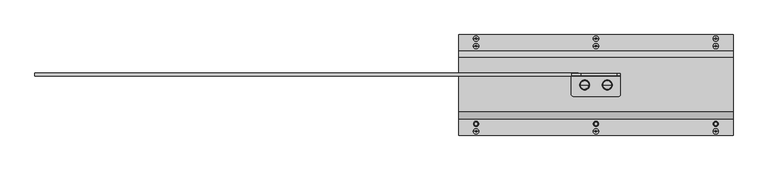
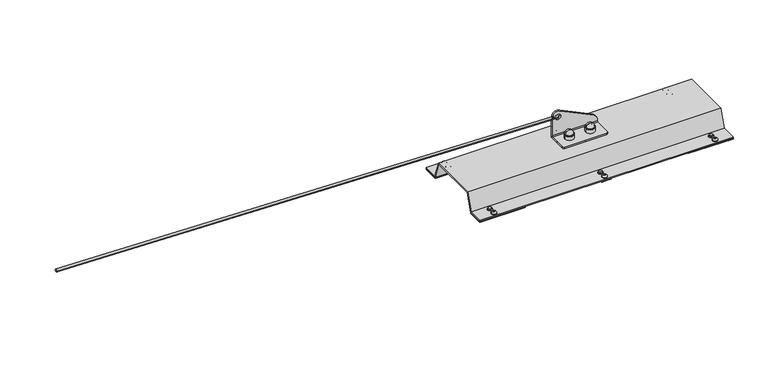
"""IFC4 building model written with IfcOpenShell, lengths in millimetres: proxy geometry."""

from ifc_helpers import new_model, si_unit, point, frame, origin, origin_with_axes, place, context, project, spatial, polyline, circle_curve, ellipse_curve, trimmed, outline, extrude, faceted_brep, source, transform, mapped, element, save
from ifc_brep_helpers import plane_surface, cylinder_surface, revolved_surface, extruded_surface, advanced_brep


def specialty_equipment_9974a4ad(model_context):
    return source(origin(), model_context, "Body", "SolidModel", [
        advanced_brep(
        [(1460.0, -27.5, 61.0), (1447.0, -27.5, 61.0), (1473.0, -27.5, 61.0), (1448.8711318, -27.5, 74.769106), (1460.0, -27.5, 84.5), (1471.1288682, -27.5, 74.769106), (1448.3951125, -27.5, 74.0453749), (1471.6048875, -27.5, 74.0453749), (1447.4849619, -27.5, 73.4985013), (1472.5150381, -27.5, 73.4985013), (1447.0, -27.5, 72.641334), (1473.0, -27.5, 72.641334)],
        [
            (0, 1),
            (1, 2, circle_curve(frame((1460.0, -27.5, 61.0), z_axis=(0.0, 0.0, -1.0), x_axis=(1.0, 0.0, 0.0)), 13.0)),
            (2, 0),
            (2, 1, circle_curve(frame((1460.0, -27.5, 61.0), z_axis=(0.0, 0.0, -1.0), x_axis=(1.0, 0.0, 0.0)), 13.0)),
            (3, 4, circle_curve(frame((1460.0, -27.5, 73.2707129), z_axis=(0.0, 1.0, 0.0), x_axis=(1.0, 0.0, 0.0)), 11.2292871)),
            (4, 5, circle_curve(frame((1460.0, -27.5, 73.2707129), z_axis=(0.0, 1.0, 0.0), x_axis=(-1.0, 0.0, 0.0)), 11.2292871)),
            (5, 3, circle_curve(frame((1460.0, -27.5, 74.769106), z_axis=(0.0, 0.0, 1.0), x_axis=(1.0, 0.0, 0.0)), 11.1288682)),
            (3, 5, circle_curve(frame((1460.0, -27.5, 74.769106), z_axis=(0.0, 0.0, 1.0), x_axis=(1.0, 0.0, 0.0)), 11.1288682)),
            (6, 3, circle_curve(frame((1447.8800744, -27.5, 74.9025422), z_axis=(0.0, -1.0, 0.0), x_axis=(1.0, 0.0, 0.0)), 1.0)),
            (5, 7, circle_curve(frame((1472.1199256, -27.5, 74.9025422), z_axis=(0.0, -1.0, 0.0), x_axis=(-1.0, 0.0, 0.0)), 1.0)),
            (7, 6, circle_curve(frame((1460.0, -27.5, 74.0453749), z_axis=(0.0, 0.0, 1.0), x_axis=(1.0, 0.0, 0.0)), 11.6048875)),
            (6, 7, circle_curve(frame((1460.0, -27.5, 74.0453749), z_axis=(0.0, 0.0, 1.0), x_axis=(1.0, 0.0, 0.0)), 11.6048875)),
            (8, 6),
            (7, 9),
            (9, 8, circle_curve(frame((1460.0, -27.5, 73.4985013), z_axis=(0.0, 0.0, 1.0), x_axis=(1.0, 0.0, 0.0)), 12.5150381)),
            (8, 9, circle_curve(frame((1460.0, -27.5, 73.4985013), z_axis=(0.0, 0.0, 1.0), x_axis=(1.0, 0.0, 0.0)), 12.5150381)),
            (10, 8, circle_curve(frame((1448.0, -27.5, 72.641334), z_axis=(0.0, 1.0, 0.0), x_axis=(1.0, 0.0, 0.0)), 1.0)),
            (9, 11, circle_curve(frame((1472.0, -27.5, 72.641334), z_axis=(0.0, 1.0, 0.0), x_axis=(-1.0, 0.0, 0.0)), 1.0)),
            (11, 10, circle_curve(frame((1460.0, -27.5, 72.641334), z_axis=(0.0, 0.0, 1.0), x_axis=(1.0, 0.0, 0.0)), 13.0)),
            (10, 11, circle_curve(frame((1460.0, -27.5, 72.641334), z_axis=(0.0, 0.0, 1.0), x_axis=(1.0, 0.0, 0.0)), 13.0)),
            (1, 10),
            (11, 2),
        ],
        [
            plane_surface(frame((1460.0, -27.5, 61.0), z_axis=(0.0, 0.0, -1.0), x_axis=(1.0, 0.0, 0.0))),
            revolved_surface(trimmed(ellipse_curve(frame((1460.0, -27.5, 73.2707129), z_axis=(0.0, 1.0, 0.0), x_axis=(-1.0, 0.0, 0.0)), 11.2292871, 11.2292871), [point((1460.0, -27.5, 84.5))], [point((1471.1288682, -27.5, 74.769106))], True, "CARTESIAN"), (1460.0, -27.5, 53.3736575), (0.0, 0.0, -1.0)),
            revolved_surface(trimmed(ellipse_curve(frame((1472.1199256, -27.5, 74.9025422), z_axis=(0.0, -1.0, 0.0), x_axis=(-1.0, 0.0, 0.0)), 1.0, 1.0), [point((1471.1288682, -27.5, 74.769106))], [point((1471.6048875, -27.5, 74.0453749))], True, "CARTESIAN"), (1460.0, -27.5, 53.3736575), (0.0, 0.0, -1.0)),
            revolved_surface(polyline([(1471.6048875, -27.5, 74.0453749), (1472.5150381, -27.5, 73.4985013)]), (1460.0, -27.5, 53.3736575), (0.0, 0.0, -1.0)),
            revolved_surface(trimmed(ellipse_curve(frame((1472.0, -27.5, 72.641334), z_axis=(0.0, 1.0, 0.0), x_axis=(-1.0, 0.0, 0.0)), 1.0, 1.0), [point((1472.5150381, -27.5, 73.4985013))], [point((1473.0, -27.5, 72.641334))], True, "CARTESIAN"), (1460.0, -27.5, 53.3736575), (0.0, 0.0, -1.0)),
            cylinder_surface(frame((1460.0, -27.5, 53.3736575), z_axis=(0.0, 0.0, -1.0), x_axis=(1.0, 0.0, 0.0)), 13.0),
        ],
        [
            (0, [[1, 2, 3]]),
            (0, [[-3, 4, -1]]),
            (1, [[5, 6, 7]]),
            (1, [[-6, -5, 8]]),
            (2, [[9, -7, 10, 11]]),
            (2, [[-10, -8, -9, 12]]),
            (3, [[13, -11, 14, 15]]),
            (3, [[-14, -12, -13, 16]]),
            (4, [[17, -15, 18, 19]]),
            (4, [[-18, -16, -17, 20]]),
            (5, [[21, -19, 22, -2]]),
            (5, [[-22, -20, -21, -4]]),
        ],
    ),
        advanced_brep(
        [(1520.0, -27.5, 61.0), (1507.0, -27.5, 61.0), (1533.0, -27.5, 61.0), (1508.8711318, -27.5, 74.769106), (1520.0, -27.5, 84.5), (1531.1288682, -27.5, 74.769106), (1508.3951125, -27.5, 74.0453749), (1531.6048875, -27.5, 74.0453749), (1507.4849619, -27.5, 73.4985013), (1532.5150381, -27.5, 73.4985013), (1507.0, -27.5, 72.641334), (1533.0, -27.5, 72.641334)],
        [
            (0, 1),
            (1, 2, circle_curve(frame((1520.0, -27.5, 61.0), z_axis=(0.0, 0.0, -1.0), x_axis=(1.0, 0.0, 0.0)), 13.0)),
            (2, 0),
            (2, 1, circle_curve(frame((1520.0, -27.5, 61.0), z_axis=(0.0, 0.0, -1.0), x_axis=(1.0, 0.0, 0.0)), 13.0)),
            (3, 4, circle_curve(frame((1520.0, -27.5, 73.2707129), z_axis=(0.0, 1.0, 0.0), x_axis=(1.0, 0.0, 0.0)), 11.2292871)),
            (4, 5, circle_curve(frame((1520.0, -27.5, 73.2707129), z_axis=(0.0, 1.0, 0.0), x_axis=(-1.0, 0.0, 0.0)), 11.2292871)),
            (5, 3, circle_curve(frame((1520.0, -27.5, 74.769106), z_axis=(0.0, 0.0, 1.0), x_axis=(1.0, 0.0, 0.0)), 11.1288682)),
            (3, 5, circle_curve(frame((1520.0, -27.5, 74.769106), z_axis=(0.0, 0.0, 1.0), x_axis=(1.0, 0.0, 0.0)), 11.1288682)),
            (6, 3, circle_curve(frame((1507.8800744, -27.5, 74.9025422), z_axis=(0.0, -1.0, 0.0), x_axis=(1.0, 0.0, 0.0)), 1.0)),
            (5, 7, circle_curve(frame((1532.1199256, -27.5, 74.9025422), z_axis=(0.0, -1.0, 0.0), x_axis=(-1.0, 0.0, 0.0)), 1.0)),
            (7, 6, circle_curve(frame((1520.0, -27.5, 74.0453749), z_axis=(0.0, 0.0, 1.0), x_axis=(1.0, 0.0, 0.0)), 11.6048875)),
            (6, 7, circle_curve(frame((1520.0, -27.5, 74.0453749), z_axis=(0.0, 0.0, 1.0), x_axis=(1.0, 0.0, 0.0)), 11.6048875)),
            (8, 6),
            (7, 9),
            (9, 8, circle_curve(frame((1520.0, -27.5, 73.4985013), z_axis=(0.0, 0.0, 1.0), x_axis=(1.0, 0.0, 0.0)), 12.5150381)),
            (8, 9, circle_curve(frame((1520.0, -27.5, 73.4985013), z_axis=(0.0, 0.0, 1.0), x_axis=(1.0, 0.0, 0.0)), 12.5150381)),
            (10, 8, circle_curve(frame((1508.0, -27.5, 72.641334), z_axis=(0.0, 1.0, 0.0), x_axis=(1.0, 0.0, 0.0)), 1.0)),
            (9, 11, circle_curve(frame((1532.0, -27.5, 72.641334), z_axis=(0.0, 1.0, 0.0), x_axis=(-1.0, 0.0, 0.0)), 1.0)),
            (11, 10, circle_curve(frame((1520.0, -27.5, 72.641334), z_axis=(0.0, 0.0, 1.0), x_axis=(1.0, 0.0, 0.0)), 13.0)),
            (10, 11, circle_curve(frame((1520.0, -27.5, 72.641334), z_axis=(0.0, 0.0, 1.0), x_axis=(1.0, 0.0, 0.0)), 13.0)),
            (1, 10),
            (11, 2),
        ],
        [
            plane_surface(frame((1520.0, -27.5, 61.0), z_axis=(0.0, 0.0, -1.0), x_axis=(1.0, 0.0, 0.0))),
            revolved_surface(trimmed(ellipse_curve(frame((1520.0, -27.5, 73.2707129), z_axis=(0.0, 1.0, 0.0), x_axis=(-1.0, 0.0, 0.0)), 11.2292871, 11.2292871), [point((1520.0, -27.5, 84.5))], [point((1531.1288682, -27.5, 74.769106))], True, "CARTESIAN"), (1520.0, -27.5, 53.3736575), (0.0, 0.0, -1.0)),
            revolved_surface(trimmed(ellipse_curve(frame((1532.1199256, -27.5, 74.9025422), z_axis=(0.0, -1.0, 0.0), x_axis=(-1.0, 0.0, 0.0)), 1.0, 1.0), [point((1531.1288682, -27.5, 74.769106))], [point((1531.6048875, -27.5, 74.0453749))], True, "CARTESIAN"), (1520.0, -27.5, 53.3736575), (0.0, 0.0, -1.0)),
            revolved_surface(polyline([(1531.6048875, -27.5, 74.0453749), (1532.5150381, -27.5, 73.4985013)]), (1520.0, -27.5, 53.3736575), (0.0, 0.0, -1.0)),
            revolved_surface(trimmed(ellipse_curve(frame((1532.0, -27.5, 72.641334), z_axis=(0.0, 1.0, 0.0), x_axis=(-1.0, 0.0, 0.0)), 1.0, 1.0), [point((1532.5150381, -27.5, 73.4985013))], [point((1533.0, -27.5, 72.641334))], True, "CARTESIAN"), (1520.0, -27.5, 53.3736575), (0.0, 0.0, -1.0)),
            cylinder_surface(frame((1520.0, -27.5, 53.3736575), z_axis=(0.0, 0.0, -1.0), x_axis=(1.0, 0.0, 0.0)), 13.0),
        ],
        [
            (0, [[1, 2, 3]]),
            (0, [[-3, 4, -1]]),
            (1, [[5, 6, 7]]),
            (1, [[-6, -5, 8]]),
            (2, [[9, -7, 10, 11]]),
            (2, [[-10, -8, -9, 12]]),
            (3, [[13, -11, 14, 15]]),
            (3, [[-14, -12, -13, 16]]),
            (4, [[17, -15, 18, 19]]),
            (4, [[-18, -16, -17, 20]]),
            (5, [[21, -19, 22, -2]]),
            (5, [[-22, -20, -21, -4]]),
        ],
    ),
        advanced_brep(
        [(1425.0, -2.5, 114.5), (1425.0, -2.5, 64.0), (1555.0, -2.5, 64.0), (1555.0, -2.5, 68.1654041), (1545.1714951, -2.5, 83.8942999), (1450.1714951, -2.5, 130.2288958), (1435.0, -2.5, 114.5), (1450.0, -2.5, 114.5), (1555.0, 2.5, 68.1654041), (1555.0, 2.5, 64.0), (1425.0, 2.5, 64.0), (1425.0, 2.5, 114.5), (1450.1714951, 2.5, 130.2288958), (1545.1714951, 2.5, 83.8942999), (1435.0, 2.5, 114.5), (1450.0, 2.5, 114.5), (1555.0, -27.5, 61.0), (1555.0, -5.5, 61.0), (1425.0, -5.5, 61.0), (1425.0, -27.5, 61.0), (1425.0, -52.5, 61.0), (1430.0, -57.5, 61.0), (1490.0, -57.5, 61.0), (1550.0, -57.5, 61.0), (1555.0, -52.5, 61.0), (1425.0, -27.5, 56.0), (1425.0, -5.5, 56.0), (1555.0, -5.5, 56.0), (1555.0, -27.5, 56.0), (1555.0, -52.5, 56.0), (1550.0, -57.5, 56.0), (1490.0, -57.5, 56.0), (1430.0, -57.5, 56.0), (1425.0, -52.5, 56.0)],
        [
            (0, 1),
            (1, 2),
            (2, 3),
            (3, 4, circle_curve(frame((1537.5, -2.5, 68.1654041), z_axis=(0.0, -1.0, 0.0), x_axis=(1.0, 0.0, 0.0)), 17.5)),
            (4, 5),
            (5, 0, circle_curve(frame((1442.5, -2.5, 114.5), z_axis=(0.0, -1.0, 0.0), x_axis=(1.0, 0.0, 0.0)), 17.5)),
            (6, 7, circle_curve(frame((1442.5, -2.5, 114.5), z_axis=(0.0, 1.0, 0.0), x_axis=(1.0, 0.0, 0.0)), 7.5)),
            (7, 6, circle_curve(frame((1442.5, -2.5, 114.5), z_axis=(0.0, 1.0, 0.0), x_axis=(1.0, 0.0, 0.0)), 7.5)),
            (8, 9),
            (9, 10),
            (10, 11),
            (11, 12, circle_curve(frame((1442.5, 2.5, 114.5), z_axis=(0.0, 1.0, 0.0), x_axis=(1.0, 0.0, 0.0)), 17.5)),
            (12, 13),
            (13, 8, circle_curve(frame((1537.5, 2.5, 68.1654041), z_axis=(0.0, 1.0, 0.0), x_axis=(1.0, 0.0, 0.0)), 17.5)),
            (14, 15, circle_curve(frame((1442.5, 2.5, 114.5), z_axis=(0.0, -1.0, 0.0), x_axis=(1.0, 0.0, 0.0)), 7.5)),
            (15, 14, circle_curve(frame((1442.5, 2.5, 114.5), z_axis=(0.0, -1.0, 0.0), x_axis=(1.0, 0.0, 0.0)), 7.5)),
            (16, 17),
            (17, 18),
            (18, 19),
            (19, 20),
            (20, 21, circle_curve(frame((1430.0, -52.5, 61.0), z_axis=(0.0, 0.0, 1.0), x_axis=(0.0, 1.0, 0.0)), 5.0)),
            (21, 22),
            (22, 23),
            (23, 24, circle_curve(frame((1550.0, -52.5, 61.0), z_axis=(0.0, 0.0, 1.0), x_axis=(0.0, 1.0, 0.0)), 5.0)),
            (24, 16),
            (25, 26),
            (26, 27),
            (27, 28),
            (28, 29),
            (29, 30, circle_curve(frame((1550.0, -52.5, 56.0), z_axis=(0.0, 0.0, -1.0), x_axis=(0.0, 1.0, 0.0)), 5.0)),
            (30, 31),
            (31, 32),
            (32, 33, circle_curve(frame((1430.0, -52.5, 56.0), z_axis=(0.0, 0.0, -1.0), x_axis=(0.0, 1.0, 0.0)), 5.0)),
            (33, 25),
            (24, 29),
            (28, 16),
            (23, 30),
            (22, 31),
            (21, 32),
            (20, 33),
            (19, 25),
            (1, 18, circle_curve(frame((1425.0, -5.5, 64.0), z_axis=(-1.0, 0.0, 0.0), x_axis=(0.0, 1.0, 0.0)), 3.0)),
            (17, 2, circle_curve(frame((1555.0, -5.5, 64.0), z_axis=(1.0, 0.0, 0.0), x_axis=(0.0, 1.0, 0.0)), 3.0)),
            (10, 26, circle_curve(frame((1425.0, -5.5, 64.0), z_axis=(-1.0, 0.0, 0.0), x_axis=(0.0, 1.0, 0.0)), 8.0)),
            (0, 11),
            (5, 12),
            (4, 13),
            (3, 8),
            (27, 9, circle_curve(frame((1555.0, -5.5, 64.0), z_axis=(1.0, 0.0, 0.0), x_axis=(0.0, 1.0, 0.0)), 8.0)),
            (7, 15),
            (14, 6),
        ],
        [
            plane_surface(frame((1425.0, -2.5, 61.0), z_axis=(0.0, -1.0, 0.0), x_axis=(0.0, 0.0, 1.0))),
            plane_surface(frame((1425.0, 2.5, 61.0), z_axis=(0.0, 1.0, 0.0), x_axis=(0.0, 0.0, -1.0))),
            plane_surface(frame((1555.0, 2.5, 61.0), z_axis=(0.0, 0.0, 1.0), x_axis=(0.0, -1.0, 0.0))),
            plane_surface(frame((1555.0, 2.5, 56.0), z_axis=(0.0, 0.0, -1.0), x_axis=(0.0, 1.0, 0.0))),
            plane_surface(frame((1555.0, -27.5, 61.0), z_axis=(1.0, 0.0, 0.0), x_axis=(0.0, 0.0, -1.0))),
            cylinder_surface(frame((1550.0, -52.5, 56.0), z_axis=(0.0, 0.0, 1.0), x_axis=(0.0, 1.0, 0.0)), 5.0),
            plane_surface(frame((1550.0, -57.5, 61.0), z_axis=(0.0, -1.0, 0.0), x_axis=(0.0, 0.0, -1.0))),
            plane_surface(frame((1490.0, -57.5, 61.0), z_axis=(0.0, -1.0, 0.0), x_axis=(0.0, 0.0, -1.0))),
            cylinder_surface(frame((1430.0, -52.5, 56.0), z_axis=(0.0, 0.0, 1.0), x_axis=(0.0, 1.0, 0.0)), 5.0),
            plane_surface(frame((1425.0, -52.5, 61.0), z_axis=(-1.0, 0.0, 0.0), x_axis=(0.0, 0.0, -1.0))),
            revolved_surface(polyline([(1555.0, -2.5, 64.0), (1425.0, -2.5, 64.0)]), (1555.0, -5.5, 64.0), (1.0, 0.0, 0.0)),
            plane_surface(frame((1425.0, -2.5, 61.0), z_axis=(-1.0, 0.0, 0.0), x_axis=(0.0, 1.0, 0.0))),
            cylinder_surface(frame((1442.5, 2.5, 114.5), z_axis=(0.0, -1.0, 0.0), x_axis=(1.0, 0.0, 0.0)), 17.5),
            plane_surface(frame((1450.1714951, -2.5, 130.2288958), z_axis=(0.43837114678908046, 0.0, 0.8987940462991656), x_axis=(0.0, 1.0, 0.0))),
            cylinder_surface(frame((1537.5, 2.5, 68.1654041), z_axis=(0.0, -1.0, 0.0), x_axis=(1.0, 0.0, 0.0)), 17.5),
            plane_surface(frame((1555.0, -2.5, 68.1654041), z_axis=(1.0, 0.0, 0.0), x_axis=(0.0, 1.0, 0.0))),
            cylinder_surface(frame((1555.0, -5.5, 64.0), z_axis=(1.0, 0.0, 0.0), x_axis=(0.0, 1.0, 0.0)), 8.0),
            revolved_surface(polyline([(1450.0, 2.5, 114.5), (1450.0, -2.5, 114.5)]), (1442.5, 106.0, 114.5), (0.0, 1.0, 0.0)),
        ],
        [
            (0, [[1, 2, 3, 4, 5, 6], [7, 8]]),
            (1, [[9, 10, 11, 12, 13, 14], [15, 16]]),
            (2, [[17, 18, 19, 20, 21, 22, 23, 24, 25]]),
            (3, [[26, 27, 28, 29, 30, 31, 32, 33, 34]]),
            (4, [[35, -29, 36, -25]]),
            (5, [[37, -30, -35, -24]]),
            (6, [[38, -31, -37, -23]]),
            (7, [[39, -32, -38, -22]]),
            (8, [[40, -33, -39, -21]]),
            (9, [[41, -34, -40, -20]]),
            (10, [[-2, 42, -18, 43]]),
            (11, [[-11, 44, -26, -41, -19, -42, -1, 45]]),
            (12, [[46, -12, -45, -6]]),
            (13, [[47, -13, -46, -5]]),
            (14, [[48, -14, -47, -4]]),
            (15, [[-3, -43, -17, -36, -28, 49, -9, -48]]),
            (16, [[-49, -27, -44, -10]]),
            (17, [[50, -15, 51, -8]]),
            (17, [[-51, -16, -50, -7]]),
        ],
    ),
        extrude(outline(polyline([(61.0, 3.0), (42.7695663, 53.0877048), (-97.7695663, 53.0877048), (-116.0, 3.0), (-161.0, 3.0), (-161.0, 6.0), (-118.1006226, 6.0), (-99.870189, 56.0877048), (44.870189, 56.0877048), (63.1006226, 6.0), (106.0, 6.0), (106.0, 3.0), (61.0, 3.0)])), frame((1126.0, 0.0, 0.0), z_axis=(1.0, 0.0, 0.0), x_axis=(0.0, 1.0, 0.0)), (0.0, 0.0, 1.0), 728.0),
        extrude(outline(polyline([(1724.0, 106.0), (1854.0, 106.0), (1854.0, 61.0), (1724.0, 61.0), (1724.0, 106.0)])), origin_with_axes(), (0.0, 0.0, 1.0), 3.0),
        extrude(outline(polyline([(1256.0, 106.0), (1256.0, 61.0), (1126.0, 61.0), (1126.0, 106.0), (1256.0, 106.0)])), origin_with_axes(), (0.0, 0.0, 1.0), 3.0),
        extrude(outline(polyline([(1724.0, -161.0), (1724.0, -116.0), (1854.0, -116.0), (1854.0, -161.0), (1724.0, -161.0)])), origin_with_axes(), (0.0, 0.0, 1.0), 3.0),
        extrude(outline(polyline([(1256.0, -161.0), (1126.0, -161.0), (1126.0, -116.0), (1256.0, -116.0), (1256.0, -161.0)])), origin_with_axes(), (0.0, 0.0, 1.0), 3.0),
        extrude(outline(polyline([(1490.0, 106.0), (1504.1113894, 106.0), (1504.1113894, 61.0), (1490.0, 61.0), (1475.8886106, 61.0), (1475.8886106, 106.0), (1490.0, 106.0)])), origin_with_axes(), (0.0, 0.0, 1.0), 3.0),
        extrude(outline(polyline([(1490.0, -161.0), (1475.8886106, -161.0), (1475.8886106, -116.0), (1490.0, -116.0), (1504.1113894, -116.0), (1504.1113894, -161.0), (1490.0, -161.0)])), origin_with_axes(), (0.0, 0.0, 1.0), 3.0),
        faceted_brep([(1803.4048805, -131.0, 11.0), (1805.7024402, -134.9794903, 11.0), (1810.2975598, -134.9794903, 11.0), (1812.5951195, -131.0, 11.0), (1810.2975598, -127.0205097, 11.0), (1805.7024402, -127.0205097, 11.0), (1803.4048805, -131.0, 7.5), (1805.7024402, -127.0205097, 7.5), (1810.2975598, -127.0205097, 7.5), (1812.5951195, -131.0, 7.5), (1810.2975598, -134.9794903, 7.5), (1805.7024402, -134.9794903, 7.5)], [[[0, 1, 2, 3, 4, 5]], [[6, 7, 8, 9, 10, 11]], [[5, 7, 6, 0]], [[4, 8, 7, 5]], [[3, 9, 8, 4]], [[2, 10, 9, 3]], [[1, 11, 10, 2]], [[0, 6, 11, 1]]]),
        advanced_brep(
        [(1485.4048805, -131.0, 11.0), (1487.7024402, -134.9794903, 11.0), (1492.2975598, -134.9794903, 11.0), (1494.5951195, -131.0, 11.0), (1492.2975598, -127.0205097, 11.0), (1487.7024402, -127.0205097, 11.0), (1487.7024402, -127.0205097, 7.5), (1485.4048805, -131.0, 7.5), (1492.2975598, -127.0205097, 7.5), (1494.5951195, -131.0, 7.5), (1492.2975598, -134.9794903, 7.5), (1487.7024402, -134.9794903, 7.5), (1482.7154193, -131.0, 6.0), (1490.0, -131.0, 6.0), (1497.2845807, -131.0, 6.0), (1495.7845807, -131.0, 7.5), (1484.2154193, -131.0, 7.5)],
        [
            (0, 1),
            (1, 2),
            (2, 3),
            (3, 4),
            (4, 5),
            (5, 0),
            (5, 6),
            (6, 7),
            (7, 0),
            (4, 8),
            (8, 6),
            (3, 9),
            (9, 8),
            (2, 10),
            (10, 9),
            (1, 11),
            (11, 10),
            (7, 11),
            (12, 13),
            (13, 14),
            (14, 12, circle_curve(frame((1490.0, -131.0, 6.0), z_axis=(0.0, 0.0, -1.0), x_axis=(1.0, 0.0, 0.0)), 7.2845807)),
            (12, 14, circle_curve(frame((1490.0, -131.0, 6.0), z_axis=(0.0, 0.0, -1.0), x_axis=(1.0, 0.0, 0.0)), 7.2845807)),
            (15, 9),
            (7, 16),
            (16, 15, circle_curve(frame((1490.0, -131.0, 7.5), z_axis=(0.0, 0.0, 1.0), x_axis=(1.0, 0.0, 0.0)), 5.7845807)),
            (15, 16, circle_curve(frame((1490.0, -131.0, 7.5), z_axis=(0.0, 0.0, 1.0), x_axis=(1.0, 0.0, 0.0)), 5.7845807)),
            (14, 15, circle_curve(frame((1495.7845807, -131.0, 6.0), z_axis=(0.0, -1.0, 0.0), x_axis=(1.0, 0.0, 0.0)), 1.5)),
            (16, 12, circle_curve(frame((1484.2154193, -131.0, 6.0), z_axis=(0.0, -1.0, 0.0), x_axis=(-1.0, 0.0, 0.0)), 1.5)),
        ],
        [
            plane_surface(frame((1805.7024402, -127.0205097, 11.0), z_axis=(0.0, 0.0, 1.0), x_axis=(0.49999999999903916, 0.8660254037849934, 0.0))),
            plane_surface(frame((1485.4048805, -131.0, 11.0), z_axis=(-0.8660254037844972, 0.4999999999998985, 0.0), x_axis=(0.0, 0.0, -1.0))),
            plane_surface(frame((1487.7024402, -127.0205097, 11.0), z_axis=(0.0, 1.0, 0.0), x_axis=(0.0, 0.0, -1.0))),
            plane_surface(frame((1492.2975598, -127.0205097, 11.0), z_axis=(0.86602540378451, 0.49999999999987643, 0.0), x_axis=(0.0, 0.0, -1.0))),
            plane_surface(frame((1494.5951195, -131.0, 11.0), z_axis=(0.8660254037843756, -0.5000000000001092, 0.0), x_axis=(0.0, 0.0, -1.0))),
            plane_surface(frame((1492.2975598, -134.9794903, 11.0), z_axis=(0.0, -1.0, 0.0), x_axis=(0.0, 0.0, -1.0))),
            plane_surface(frame((1487.7024402, -134.9794903, 11.0), z_axis=(-0.8660254037843756, -0.5000000000001092, 0.0), x_axis=(0.0, 0.0, -1.0))),
            plane_surface(frame((1490.0, -131.0, 6.0), z_axis=(0.0, 0.0, -1.0), x_axis=(1.0, 0.0, 0.0))),
            plane_surface(frame((1490.0, -131.0, 7.5), z_axis=(0.0, 0.0, 1.0), x_axis=(1.0, 0.0, 0.0))),
            revolved_surface(trimmed(ellipse_curve(frame((1495.7845807, -131.0, 6.0), z_axis=(0.0, -1.0, 0.0), x_axis=(1.0, 0.0, 0.0)), 1.5, 1.5), [point((1497.2845807, -131.0, 6.0))], [point((1495.7845807, -131.0, 7.5))], True, "CARTESIAN"), (1490.0, -131.0, -55.0), (0.0, 0.0, 1.0)),
        ],
        [
            (0, [[1, 2, 3, 4, 5, 6]]),
            (1, [[7, 8, 9, -6]]),
            (2, [[10, 11, -7, -5]]),
            (3, [[12, 13, -10, -4]]),
            (4, [[14, 15, -12, -3]]),
            (5, [[16, 17, -14, -2]]),
            (6, [[-9, 18, -16, -1]]),
            (7, [[19, 20, 21]]),
            (7, [[-19, 22, -20]]),
            (8, [[23, -15, -17, -18, 24, 25]]),
            (8, [[-24, -8, -11, -13, -23, 26]]),
            (9, [[27, -25, 28, -21]]),
            (9, [[-28, -26, -27, -22]]),
        ],
    ),
        faceted_brep([(1176.5951195, -131.0, 11.0), (1174.2975598, -127.0205097, 11.0), (1169.7024402, -127.0205097, 11.0), (1167.4048805, -131.0, 11.0), (1169.7024402, -134.9794903, 11.0), (1174.2975598, -134.9794903, 11.0), (1176.5951195, -131.0, 7.5), (1174.2975598, -134.9794903, 7.5), (1169.7024402, -134.9794903, 7.5), (1167.4048805, -131.0, 7.5), (1169.7024402, -127.0205097, 7.5), (1174.2975598, -127.0205097, 7.5)], [[[0, 1, 2, 3, 4, 5]], [[6, 7, 8, 9, 10, 11]], [[5, 7, 6, 0]], [[4, 8, 7, 5]], [[3, 9, 8, 4]], [[2, 10, 9, 3]], [[1, 11, 10, 2]], [[0, 6, 11, 1]]]),
        advanced_brep(
        [(1164.7019875, -151.0, 6.0), (1172.0, -151.0, 6.0), (1179.2980125, -151.0, 6.0), (1164.7019875, -151.0, 7.5), (1179.2980125, -151.0, 7.5), (1168.7019875, -151.0, 11.5), (1175.2980125, -151.0, 11.5), (1172.0, -151.0, 11.5)],
        [
            (0, 1),
            (1, 2),
            (2, 0, circle_curve(frame((1172.0, -151.0, 6.0), z_axis=(0.0, 0.0, -1.0), x_axis=(1.0, 0.0, 0.0)), 7.2980125)),
            (0, 2, circle_curve(frame((1172.0, -151.0, 6.0), z_axis=(0.0, 0.0, -1.0), x_axis=(1.0, 0.0, 0.0)), 7.2980125)),
            (3, 0),
            (2, 4),
            (4, 3, circle_curve(frame((1172.0, -151.0, 7.5), z_axis=(0.0, 0.0, -1.0), x_axis=(1.0, 0.0, 0.0)), 7.2980125)),
            (3, 4, circle_curve(frame((1172.0, -151.0, 7.5), z_axis=(0.0, 0.0, -1.0), x_axis=(1.0, 0.0, 0.0)), 7.2980125)),
            (5, 3, circle_curve(frame((1168.7019875, -151.0, 7.5), z_axis=(0.0, -1.0, 0.0), x_axis=(-1.0, 0.0, 0.0)), 4.0)),
            (4, 6, circle_curve(frame((1175.2980125, -151.0, 7.5), z_axis=(0.0, -1.0, 0.0), x_axis=(1.0, 0.0, 0.0)), 4.0)),
            (6, 5, circle_curve(frame((1172.0, -151.0, 11.5), z_axis=(0.0, 0.0, -1.0), x_axis=(1.0, 0.0, 0.0)), 3.2980125)),
            (5, 6, circle_curve(frame((1172.0, -151.0, 11.5), z_axis=(0.0, 0.0, -1.0), x_axis=(1.0, 0.0, 0.0)), 3.2980125)),
            (7, 5),
            (6, 7),
        ],
        [
            plane_surface(frame((1172.0, -151.0, 6.0), z_axis=(0.0, 0.0, -1.0), x_axis=(1.0, 0.0, 0.0))),
            cylinder_surface(frame((1172.0, -151.0, -55.0), z_axis=(0.0, 0.0, 1.0), x_axis=(1.0, 0.0, 0.0)), 7.2980125),
            revolved_surface(trimmed(ellipse_curve(frame((1175.2980125, -151.0, 7.5), z_axis=(0.0, -1.0, 0.0), x_axis=(1.0, 0.0, 0.0)), 4.0, 4.0), [point((1179.2980125, -151.0, 7.5))], [point((1175.2980125, -151.0, 11.5))], True, "CARTESIAN"), (1172.0, -151.0, -55.0), (0.0, 0.0, 1.0)),
            plane_surface(frame((1172.0, -151.0, 11.5), z_axis=(0.0, 0.0, 1.0), x_axis=(1.0, 0.0, 0.0))),
        ],
        [
            (0, [[1, 2, 3]]),
            (0, [[-2, -1, 4]]),
            (1, [[5, -3, 6, 7]]),
            (1, [[-6, -4, -5, 8]]),
            (2, [[9, -7, 10, 11]]),
            (2, [[-10, -8, -9, 12]]),
            (3, [[13, -11, 14]]),
            (3, [[-14, -12, -13]]),
        ],
    ),
        advanced_brep(
        [(1482.7019875, -151.0, 6.0), (1490.0, -151.0, 6.0), (1497.2980125, -151.0, 6.0), (1482.7019875, -151.0, 7.5), (1497.2980125, -151.0, 7.5), (1486.7019875, -151.0, 11.5), (1493.2980125, -151.0, 11.5), (1490.0, -151.0, 11.5)],
        [
            (0, 1),
            (1, 2),
            (2, 0, circle_curve(frame((1490.0, -151.0, 6.0), z_axis=(0.0, 0.0, -1.0), x_axis=(1.0, 0.0, 0.0)), 7.2980125)),
            (0, 2, circle_curve(frame((1490.0, -151.0, 6.0), z_axis=(0.0, 0.0, -1.0), x_axis=(1.0, 0.0, 0.0)), 7.2980125)),
            (3, 0),
            (2, 4),
            (4, 3, circle_curve(frame((1490.0, -151.0, 7.5), z_axis=(0.0, 0.0, -1.0), x_axis=(1.0, 0.0, 0.0)), 7.2980125)),
            (3, 4, circle_curve(frame((1490.0, -151.0, 7.5), z_axis=(0.0, 0.0, -1.0), x_axis=(1.0, 0.0, 0.0)), 7.2980125)),
            (5, 3, circle_curve(frame((1486.7019875, -151.0, 7.5), z_axis=(0.0, -1.0, 0.0), x_axis=(-1.0, 0.0, 0.0)), 4.0)),
            (4, 6, circle_curve(frame((1493.2980125, -151.0, 7.5), z_axis=(0.0, -1.0, 0.0), x_axis=(1.0, 0.0, 0.0)), 4.0)),
            (6, 5, circle_curve(frame((1490.0, -151.0, 11.5), z_axis=(0.0, 0.0, -1.0), x_axis=(1.0, 0.0, 0.0)), 3.2980125)),
            (5, 6, circle_curve(frame((1490.0, -151.0, 11.5), z_axis=(0.0, 0.0, -1.0), x_axis=(1.0, 0.0, 0.0)), 3.2980125)),
            (7, 5),
            (6, 7),
        ],
        [
            plane_surface(frame((1490.0, -151.0, 6.0), z_axis=(0.0, 0.0, -1.0), x_axis=(1.0, 0.0, 0.0))),
            cylinder_surface(frame((1490.0, -151.0, -55.0), z_axis=(0.0, 0.0, 1.0), x_axis=(1.0, 0.0, 0.0)), 7.2980125),
            revolved_surface(trimmed(ellipse_curve(frame((1493.2980125, -151.0, 7.5), z_axis=(0.0, -1.0, 0.0), x_axis=(1.0, 0.0, 0.0)), 4.0, 4.0), [point((1497.2980125, -151.0, 7.5))], [point((1493.2980125, -151.0, 11.5))], True, "CARTESIAN"), (1490.0, -151.0, -55.0), (0.0, 0.0, 1.0)),
            plane_surface(frame((1490.0, -151.0, 11.5), z_axis=(0.0, 0.0, 1.0), x_axis=(1.0, 0.0, 0.0))),
        ],
        [
            (0, [[1, 2, 3]]),
            (0, [[-2, -1, 4]]),
            (1, [[5, -3, 6, 7]]),
            (1, [[-6, -4, -5, 8]]),
            (2, [[9, -7, 10, 11]]),
            (2, [[-10, -8, -9, 12]]),
            (3, [[13, -11, 14]]),
            (3, [[-14, -12, -13]]),
        ],
    ),
        advanced_brep(
        [(1800.7019875, -151.0, 6.0), (1808.0, -151.0, 6.0), (1815.2980125, -151.0, 6.0), (1800.7019875, -151.0, 7.5), (1815.2980125, -151.0, 7.5), (1804.7019875, -151.0, 11.5), (1811.2980125, -151.0, 11.5), (1808.0, -151.0, 11.5)],
        [
            (0, 1),
            (1, 2),
            (2, 0, circle_curve(frame((1808.0, -151.0, 6.0), z_axis=(0.0, 0.0, -1.0), x_axis=(1.0, 0.0, 0.0)), 7.2980125)),
            (0, 2, circle_curve(frame((1808.0, -151.0, 6.0), z_axis=(0.0, 0.0, -1.0), x_axis=(1.0, 0.0, 0.0)), 7.2980125)),
            (3, 0),
            (2, 4),
            (4, 3, circle_curve(frame((1808.0, -151.0, 7.5), z_axis=(0.0, 0.0, -1.0), x_axis=(1.0, 0.0, 0.0)), 7.2980125)),
            (3, 4, circle_curve(frame((1808.0, -151.0, 7.5), z_axis=(0.0, 0.0, -1.0), x_axis=(1.0, 0.0, 0.0)), 7.2980125)),
            (5, 3, circle_curve(frame((1804.7019875, -151.0, 7.5), z_axis=(0.0, -1.0, 0.0), x_axis=(-1.0, 0.0, 0.0)), 4.0)),
            (4, 6, circle_curve(frame((1811.2980125, -151.0, 7.5), z_axis=(0.0, -1.0, 0.0), x_axis=(1.0, 0.0, 0.0)), 4.0)),
            (6, 5, circle_curve(frame((1808.0, -151.0, 11.5), z_axis=(0.0, 0.0, -1.0), x_axis=(1.0, 0.0, 0.0)), 3.2980125)),
            (5, 6, circle_curve(frame((1808.0, -151.0, 11.5), z_axis=(0.0, 0.0, -1.0), x_axis=(1.0, 0.0, 0.0)), 3.2980125)),
            (7, 5),
            (6, 7),
        ],
        [
            plane_surface(frame((1808.0, -151.0, 6.0), z_axis=(0.0, 0.0, -1.0), x_axis=(1.0, 0.0, 0.0))),
            cylinder_surface(frame((1808.0, -151.0, -55.0), z_axis=(0.0, 0.0, 1.0), x_axis=(1.0, 0.0, 0.0)), 7.2980125),
            revolved_surface(trimmed(ellipse_curve(frame((1811.2980125, -151.0, 7.5), z_axis=(0.0, -1.0, 0.0), x_axis=(1.0, 0.0, 0.0)), 4.0, 4.0), [point((1815.2980125, -151.0, 7.5))], [point((1811.2980125, -151.0, 11.5))], True, "CARTESIAN"), (1808.0, -151.0, -55.0), (0.0, 0.0, 1.0)),
            plane_surface(frame((1808.0, -151.0, 11.5), z_axis=(0.0, 0.0, 1.0), x_axis=(1.0, 0.0, 0.0))),
        ],
        [
            (0, [[1, 2, 3]]),
            (0, [[-2, -1, 4]]),
            (1, [[5, -3, 6, 7]]),
            (1, [[-6, -4, -5, 8]]),
            (2, [[9, -7, 10, 11]]),
            (2, [[-10, -8, -9, 12]]),
            (3, [[13, -11, 14]]),
            (3, [[-14, -12, -13]]),
        ],
    ),
        advanced_brep(
        [(1179.2980125, 76.0, 6.0), (1172.0, 76.0, 6.0), (1164.7019875, 76.0, 6.0), (1179.2980125, 76.0, 7.5), (1164.7019875, 76.0, 7.5), (1175.2980125, 76.0, 11.5), (1168.7019875, 76.0, 11.5), (1172.0, 76.0, 11.5)],
        [
            (0, 1),
            (1, 2),
            (2, 0, circle_curve(frame((1172.0, 76.0, 6.0), z_axis=(0.0, 0.0, -1.0), x_axis=(-1.0, 0.0, 0.0)), 7.2980125)),
            (0, 2, circle_curve(frame((1172.0, 76.0, 6.0), z_axis=(0.0, 0.0, -1.0), x_axis=(-1.0, 0.0, 0.0)), 7.2980125)),
            (3, 0),
            (2, 4),
            (4, 3, circle_curve(frame((1172.0, 76.0, 7.5), z_axis=(0.0, 0.0, -1.0), x_axis=(-1.0, 0.0, 0.0)), 7.2980125)),
            (3, 4, circle_curve(frame((1172.0, 76.0, 7.5), z_axis=(0.0, 0.0, -1.0), x_axis=(-1.0, 0.0, 0.0)), 7.2980125)),
            (5, 3, circle_curve(frame((1175.2980125, 76.0, 7.5), z_axis=(0.0, 1.0, 0.0), x_axis=(-1.0, 0.0, 0.0)), 4.0)),
            (4, 6, circle_curve(frame((1168.7019875, 76.0, 7.5), z_axis=(0.0, 1.0, 0.0), x_axis=(1.0, 0.0, 0.0)), 4.0)),
            (6, 5, circle_curve(frame((1172.0, 76.0, 11.5), z_axis=(0.0, 0.0, -1.0), x_axis=(-1.0, 0.0, 0.0)), 3.2980125)),
            (5, 6, circle_curve(frame((1172.0, 76.0, 11.5), z_axis=(0.0, 0.0, -1.0), x_axis=(-1.0, 0.0, 0.0)), 3.2980125)),
            (7, 5),
            (6, 7),
        ],
        [
            plane_surface(frame((1172.0, 76.0, 6.0), z_axis=(0.0, 0.0, -1.0), x_axis=(-1.0, 0.0, 0.0))),
            cylinder_surface(frame((1172.0, 76.0, -55.0), z_axis=(0.0, 0.0, 1.0), x_axis=(-1.0, 0.0, 0.0)), 7.2980125),
            revolved_surface(trimmed(ellipse_curve(frame((1168.7019875, 76.0, 7.5), z_axis=(0.0, 1.0, 0.0), x_axis=(1.0, 0.0, 0.0)), 4.0, 4.0), [point((1164.7019875, 76.0, 7.5))], [point((1168.7019875, 76.0, 11.5))], True, "CARTESIAN"), (1172.0, 76.0, -55.0), (0.0, 0.0, 1.0)),
            plane_surface(frame((1172.0, 76.0, 11.5), z_axis=(0.0, 0.0, 1.0), x_axis=(-1.0, 0.0, 0.0))),
        ],
        [
            (0, [[1, 2, 3]]),
            (0, [[-2, -1, 4]]),
            (1, [[5, -3, 6, 7]]),
            (1, [[-6, -4, -5, 8]]),
            (2, [[9, -7, 10, 11]]),
            (2, [[-10, -8, -9, 12]]),
            (3, [[13, -11, 14]]),
            (3, [[-14, -12, -13]]),
        ],
    ),
        advanced_brep(
        [(1497.2980125, 76.0, 6.0), (1490.0, 76.0, 6.0), (1482.7019875, 76.0, 6.0), (1497.2980125, 76.0, 7.5), (1482.7019875, 76.0, 7.5), (1493.2980125, 76.0, 11.5), (1486.7019875, 76.0, 11.5), (1490.0, 76.0, 11.5)],
        [
            (0, 1),
            (1, 2),
            (2, 0, circle_curve(frame((1490.0, 76.0, 6.0), z_axis=(0.0, 0.0, -1.0), x_axis=(-1.0, 0.0, 0.0)), 7.2980125)),
            (0, 2, circle_curve(frame((1490.0, 76.0, 6.0), z_axis=(0.0, 0.0, -1.0), x_axis=(-1.0, 0.0, 0.0)), 7.2980125)),
            (3, 0),
            (2, 4),
            (4, 3, circle_curve(frame((1490.0, 76.0, 7.5), z_axis=(0.0, 0.0, -1.0), x_axis=(-1.0, 0.0, 0.0)), 7.2980125)),
            (3, 4, circle_curve(frame((1490.0, 76.0, 7.5), z_axis=(0.0, 0.0, -1.0), x_axis=(-1.0, 0.0, 0.0)), 7.2980125)),
            (5, 3, circle_curve(frame((1493.2980125, 76.0, 7.5), z_axis=(0.0, 1.0, 0.0), x_axis=(-1.0, 0.0, 0.0)), 4.0)),
            (4, 6, circle_curve(frame((1486.7019875, 76.0, 7.5), z_axis=(0.0, 1.0, 0.0), x_axis=(1.0, 0.0, 0.0)), 4.0)),
            (6, 5, circle_curve(frame((1490.0, 76.0, 11.5), z_axis=(0.0, 0.0, -1.0), x_axis=(-1.0, 0.0, 0.0)), 3.2980125)),
            (5, 6, circle_curve(frame((1490.0, 76.0, 11.5), z_axis=(0.0, 0.0, -1.0), x_axis=(-1.0, 0.0, 0.0)), 3.2980125)),
            (7, 5),
            (6, 7),
        ],
        [
            plane_surface(frame((1490.0, 76.0, 6.0), z_axis=(0.0, 0.0, -1.0), x_axis=(-1.0, 0.0, 0.0))),
            cylinder_surface(frame((1490.0, 76.0, -55.0), z_axis=(0.0, 0.0, 1.0), x_axis=(-1.0, 0.0, 0.0)), 7.2980125),
            revolved_surface(trimmed(ellipse_curve(frame((1486.7019875, 76.0, 7.5), z_axis=(0.0, 1.0, 0.0), x_axis=(1.0, 0.0, 0.0)), 4.0, 4.0), [point((1482.7019875, 76.0, 7.5))], [point((1486.7019875, 76.0, 11.5))], True, "CARTESIAN"), (1490.0, 76.0, -55.0), (0.0, 0.0, 1.0)),
            plane_surface(frame((1490.0, 76.0, 11.5), z_axis=(0.0, 0.0, 1.0), x_axis=(-1.0, 0.0, 0.0))),
        ],
        [
            (0, [[1, 2, 3]]),
            (0, [[-2, -1, 4]]),
            (1, [[5, -3, 6, 7]]),
            (1, [[-6, -4, -5, 8]]),
            (2, [[9, -7, 10, 11]]),
            (2, [[-10, -8, -9, 12]]),
            (3, [[13, -11, 14]]),
            (3, [[-14, -12, -13]]),
        ],
    ),
        advanced_brep(
        [(1815.2980125, 76.0, 6.0), (1808.0, 76.0, 6.0), (1800.7019875, 76.0, 6.0), (1815.2980125, 76.0, 7.5), (1800.7019875, 76.0, 7.5), (1811.2980125, 76.0, 11.5), (1804.7019875, 76.0, 11.5), (1808.0, 76.0, 11.5)],
        [
            (0, 1),
            (1, 2),
            (2, 0, circle_curve(frame((1808.0, 76.0, 6.0), z_axis=(0.0, 0.0, -1.0), x_axis=(-1.0, 0.0, 0.0)), 7.2980125)),
            (0, 2, circle_curve(frame((1808.0, 76.0, 6.0), z_axis=(0.0, 0.0, -1.0), x_axis=(-1.0, 0.0, 0.0)), 7.2980125)),
            (3, 0),
            (2, 4),
            (4, 3, circle_curve(frame((1808.0, 76.0, 7.5), z_axis=(0.0, 0.0, -1.0), x_axis=(-1.0, 0.0, 0.0)), 7.2980125)),
            (3, 4, circle_curve(frame((1808.0, 76.0, 7.5), z_axis=(0.0, 0.0, -1.0), x_axis=(-1.0, 0.0, 0.0)), 7.2980125)),
            (5, 3, circle_curve(frame((1811.2980125, 76.0, 7.5), z_axis=(0.0, 1.0, 0.0), x_axis=(-1.0, 0.0, 0.0)), 4.0)),
            (4, 6, circle_curve(frame((1804.7019875, 76.0, 7.5), z_axis=(0.0, 1.0, 0.0), x_axis=(1.0, 0.0, 0.0)), 4.0)),
            (6, 5, circle_curve(frame((1808.0, 76.0, 11.5), z_axis=(0.0, 0.0, -1.0), x_axis=(-1.0, 0.0, 0.0)), 3.2980125)),
            (5, 6, circle_curve(frame((1808.0, 76.0, 11.5), z_axis=(0.0, 0.0, -1.0), x_axis=(-1.0, 0.0, 0.0)), 3.2980125)),
            (7, 5),
            (6, 7),
        ],
        [
            plane_surface(frame((1808.0, 76.0, 6.0), z_axis=(0.0, 0.0, -1.0), x_axis=(-1.0, 0.0, 0.0))),
            cylinder_surface(frame((1808.0, 76.0, -55.0), z_axis=(0.0, 0.0, 1.0), x_axis=(-1.0, 0.0, 0.0)), 7.2980125),
            revolved_surface(trimmed(ellipse_curve(frame((1804.7019875, 76.0, 7.5), z_axis=(0.0, 1.0, 0.0), x_axis=(1.0, 0.0, 0.0)), 4.0, 4.0), [point((1800.7019875, 76.0, 7.5))], [point((1804.7019875, 76.0, 11.5))], True, "CARTESIAN"), (1808.0, 76.0, -55.0), (0.0, 0.0, 1.0)),
            plane_surface(frame((1808.0, 76.0, 11.5), z_axis=(0.0, 0.0, 1.0), x_axis=(-1.0, 0.0, 0.0))),
        ],
        [
            (0, [[1, 2, 3]]),
            (0, [[-2, -1, 4]]),
            (1, [[5, -3, 6, 7]]),
            (1, [[-6, -4, -5, 8]]),
            (2, [[9, -7, 10, 11]]),
            (2, [[-10, -8, -9, 12]]),
            (3, [[13, -11, 14]]),
            (3, [[-14, -12, -13]]),
        ],
    ),
        advanced_brep(
        [(1179.2980125, 96.0, 6.0), (1172.0, 96.0, 6.0), (1164.7019875, 96.0, 6.0), (1179.2980125, 96.0, 7.5), (1164.7019875, 96.0, 7.5), (1175.2980125, 96.0, 11.5), (1168.7019875, 96.0, 11.5), (1172.0, 96.0, 11.5)],
        [
            (0, 1),
            (1, 2),
            (2, 0, circle_curve(frame((1172.0, 96.0, 6.0), z_axis=(0.0, 0.0, -1.0), x_axis=(-1.0, 0.0, 0.0)), 7.2980125)),
            (0, 2, circle_curve(frame((1172.0, 96.0, 6.0), z_axis=(0.0, 0.0, -1.0), x_axis=(-1.0, 0.0, 0.0)), 7.2980125)),
            (3, 0),
            (2, 4),
            (4, 3, circle_curve(frame((1172.0, 96.0, 7.5), z_axis=(0.0, 0.0, -1.0), x_axis=(-1.0, 0.0, 0.0)), 7.2980125)),
            (3, 4, circle_curve(frame((1172.0, 96.0, 7.5), z_axis=(0.0, 0.0, -1.0), x_axis=(-1.0, 0.0, 0.0)), 7.2980125)),
            (5, 3, circle_curve(frame((1175.2980125, 96.0, 7.5), z_axis=(0.0, 1.0, 0.0), x_axis=(-1.0, 0.0, 0.0)), 4.0)),
            (4, 6, circle_curve(frame((1168.7019875, 96.0, 7.5), z_axis=(0.0, 1.0, 0.0), x_axis=(1.0, 0.0, 0.0)), 4.0)),
            (6, 5, circle_curve(frame((1172.0, 96.0, 11.5), z_axis=(0.0, 0.0, -1.0), x_axis=(-1.0, 0.0, 0.0)), 3.2980125)),
            (5, 6, circle_curve(frame((1172.0, 96.0, 11.5), z_axis=(0.0, 0.0, -1.0), x_axis=(-1.0, 0.0, 0.0)), 3.2980125)),
            (7, 5),
            (6, 7),
        ],
        [
            plane_surface(frame((1172.0, 96.0, 6.0), z_axis=(0.0, 0.0, -1.0), x_axis=(-1.0, 0.0, 0.0))),
            cylinder_surface(frame((1172.0, 96.0, -55.0), z_axis=(0.0, 0.0, 1.0), x_axis=(-1.0, 0.0, 0.0)), 7.2980125),
            revolved_surface(trimmed(ellipse_curve(frame((1168.7019875, 96.0, 7.5), z_axis=(0.0, 1.0, 0.0), x_axis=(1.0, 0.0, 0.0)), 4.0, 4.0), [point((1164.7019875, 96.0, 7.5))], [point((1168.7019875, 96.0, 11.5))], True, "CARTESIAN"), (1172.0, 96.0, -55.0), (0.0, 0.0, 1.0)),
            plane_surface(frame((1172.0, 96.0, 11.5), z_axis=(0.0, 0.0, 1.0), x_axis=(-1.0, 0.0, 0.0))),
        ],
        [
            (0, [[1, 2, 3]]),
            (0, [[-2, -1, 4]]),
            (1, [[5, -3, 6, 7]]),
            (1, [[-6, -4, -5, 8]]),
            (2, [[9, -7, 10, 11]]),
            (2, [[-10, -8, -9, 12]]),
            (3, [[13, -11, 14]]),
            (3, [[-14, -12, -13]]),
        ],
    ),
        advanced_brep(
        [(1497.2980125, 96.0, 6.0), (1490.0, 96.0, 6.0), (1482.7019875, 96.0, 6.0), (1497.2980125, 96.0, 7.5), (1482.7019875, 96.0, 7.5), (1493.2980125, 96.0, 11.5), (1486.7019875, 96.0, 11.5), (1490.0, 96.0, 11.5)],
        [
            (0, 1),
            (1, 2),
            (2, 0, circle_curve(frame((1490.0, 96.0, 6.0), z_axis=(0.0, 0.0, -1.0), x_axis=(-1.0, 0.0, 0.0)), 7.2980125)),
            (0, 2, circle_curve(frame((1490.0, 96.0, 6.0), z_axis=(0.0, 0.0, -1.0), x_axis=(-1.0, 0.0, 0.0)), 7.2980125)),
            (3, 0),
            (2, 4),
            (4, 3, circle_curve(frame((1490.0, 96.0, 7.5), z_axis=(0.0, 0.0, -1.0), x_axis=(-1.0, 0.0, 0.0)), 7.2980125)),
            (3, 4, circle_curve(frame((1490.0, 96.0, 7.5), z_axis=(0.0, 0.0, -1.0), x_axis=(-1.0, 0.0, 0.0)), 7.2980125)),
            (5, 3, circle_curve(frame((1493.2980125, 96.0, 7.5), z_axis=(0.0, 1.0, 0.0), x_axis=(-1.0, 0.0, 0.0)), 4.0)),
            (4, 6, circle_curve(frame((1486.7019875, 96.0, 7.5), z_axis=(0.0, 1.0, 0.0), x_axis=(1.0, 0.0, 0.0)), 4.0)),
            (6, 5, circle_curve(frame((1490.0, 96.0, 11.5), z_axis=(0.0, 0.0, -1.0), x_axis=(-1.0, 0.0, 0.0)), 3.2980125)),
            (5, 6, circle_curve(frame((1490.0, 96.0, 11.5), z_axis=(0.0, 0.0, -1.0), x_axis=(-1.0, 0.0, 0.0)), 3.2980125)),
            (7, 5),
            (6, 7),
        ],
        [
            plane_surface(frame((1490.0, 96.0, 6.0), z_axis=(0.0, 0.0, -1.0), x_axis=(-1.0, 0.0, 0.0))),
            cylinder_surface(frame((1490.0, 96.0, -55.0), z_axis=(0.0, 0.0, 1.0), x_axis=(-1.0, 0.0, 0.0)), 7.2980125),
            revolved_surface(trimmed(ellipse_curve(frame((1486.7019875, 96.0, 7.5), z_axis=(0.0, 1.0, 0.0), x_axis=(1.0, 0.0, 0.0)), 4.0, 4.0), [point((1482.7019875, 96.0, 7.5))], [point((1486.7019875, 96.0, 11.5))], True, "CARTESIAN"), (1490.0, 96.0, -55.0), (0.0, 0.0, 1.0)),
            plane_surface(frame((1490.0, 96.0, 11.5), z_axis=(0.0, 0.0, 1.0), x_axis=(-1.0, 0.0, 0.0))),
        ],
        [
            (0, [[1, 2, 3]]),
            (0, [[-2, -1, 4]]),
            (1, [[5, -3, 6, 7]]),
            (1, [[-6, -4, -5, 8]]),
            (2, [[9, -7, 10, 11]]),
            (2, [[-10, -8, -9, 12]]),
            (3, [[13, -11, 14]]),
            (3, [[-14, -12, -13]]),
        ],
    ),
        advanced_brep(
        [(1815.2980125, 96.0, 6.0), (1808.0, 96.0, 6.0), (1800.7019875, 96.0, 6.0), (1815.2980125, 96.0, 7.4674775), (1800.7019875, 96.0, 7.4674775), (1811.2980125, 96.0, 11.4674775), (1804.7019875, 96.0, 11.4674775), (1808.0, 96.0, 11.4674775)],
        [
            (0, 1),
            (1, 2),
            (2, 0, circle_curve(frame((1808.0, 96.0, 6.0), z_axis=(0.0, 0.0, -1.0), x_axis=(-1.0, 0.0, 0.0)), 7.2980125)),
            (0, 2, circle_curve(frame((1808.0, 96.0, 6.0), z_axis=(0.0, 0.0, -1.0), x_axis=(-1.0, 0.0, 0.0)), 7.2980125)),
            (3, 0),
            (2, 4),
            (4, 3, circle_curve(frame((1808.0, 96.0, 7.4674775), z_axis=(0.0, 0.0, -1.0), x_axis=(-1.0, 0.0, 0.0)), 7.2980125)),
            (3, 4, circle_curve(frame((1808.0, 96.0, 7.4674775), z_axis=(0.0, 0.0, -1.0), x_axis=(-1.0, 0.0, 0.0)), 7.2980125)),
            (5, 3, circle_curve(frame((1811.2980125, 96.0, 7.4674775), z_axis=(0.0, 1.0, 0.0), x_axis=(-1.0, 0.0, 0.0)), 4.0)),
            (4, 6, circle_curve(frame((1804.7019875, 96.0, 7.4674775), z_axis=(0.0, 1.0, 0.0), x_axis=(1.0, 0.0, 0.0)), 4.0)),
            (6, 5, circle_curve(frame((1808.0, 96.0, 11.4674775), z_axis=(0.0, 0.0, -1.0), x_axis=(-1.0, 0.0, 0.0)), 3.2980125)),
            (5, 6, circle_curve(frame((1808.0, 96.0, 11.4674775), z_axis=(0.0, 0.0, -1.0), x_axis=(-1.0, 0.0, 0.0)), 3.2980125)),
            (7, 5),
            (6, 7),
        ],
        [
            plane_surface(frame((1808.0, 96.0, 6.0), z_axis=(0.0, 0.0, -1.0), x_axis=(-1.0, 0.0, 0.0))),
            cylinder_surface(frame((1808.0, 96.0, -55.0), z_axis=(0.0, 0.0, 1.0), x_axis=(-1.0, 0.0, 0.0)), 7.2980125),
            revolved_surface(trimmed(ellipse_curve(frame((1804.7019875, 96.0, 7.4674775), z_axis=(0.0, 1.0, 0.0), x_axis=(1.0, 0.0, 0.0)), 4.0, 4.0), [point((1800.7019875, 96.0, 7.4674775))], [point((1804.7019875, 96.0, 11.4674775))], True, "CARTESIAN"), (1808.0, 96.0, -55.0), (0.0, 0.0, 1.0)),
            plane_surface(frame((1808.0, 96.0, 11.4674775), z_axis=(0.0, 0.0, 1.0), x_axis=(-1.0, 0.0, 0.0))),
        ],
        [
            (0, [[1, 2, 3]]),
            (0, [[-2, -1, 4]]),
            (1, [[5, -3, 6, 7]]),
            (1, [[-6, -4, -5, 8]]),
            (2, [[9, -7, 10, 11]]),
            (2, [[-10, -8, -9, 12]]),
            (3, [[13, -11, 14]]),
            (3, [[-14, -12, -13]]),
        ],
    ),
        advanced_brep(
        [(1164.7154193, -131.0, 6.0), (1172.0, -131.0, 6.0), (1179.2845807, -131.0, 6.0), (1166.2154193, -131.0, 7.5), (1177.7845807, -131.0, 7.5), (1172.0, -131.0, 7.5)],
        [
            (0, 1),
            (1, 2),
            (2, 0, circle_curve(frame((1172.0, -131.0, 6.0), z_axis=(0.0, 0.0, -1.0), x_axis=(1.0, 0.0, 0.0)), 7.2845807)),
            (0, 2, circle_curve(frame((1172.0, -131.0, 6.0), z_axis=(0.0, 0.0, -1.0), x_axis=(1.0, 0.0, 0.0)), 7.2845807)),
            (3, 0, circle_curve(frame((1166.2154193, -131.0, 6.0), z_axis=(0.0, -1.0, 0.0), x_axis=(-1.0, 0.0, 0.0)), 1.5)),
            (2, 4, circle_curve(frame((1177.7845807, -131.0, 6.0), z_axis=(0.0, -1.0, 0.0), x_axis=(1.0, 0.0, 0.0)), 1.5)),
            (4, 3, circle_curve(frame((1172.0, -131.0, 7.5), z_axis=(0.0, 0.0, -1.0), x_axis=(1.0, 0.0, 0.0)), 5.7845807)),
            (3, 4, circle_curve(frame((1172.0, -131.0, 7.5), z_axis=(0.0, 0.0, -1.0), x_axis=(1.0, 0.0, 0.0)), 5.7845807)),
            (5, 3),
            (4, 5),
        ],
        [
            plane_surface(frame((1172.0, -131.0, 6.0), z_axis=(0.0, 0.0, -1.0), x_axis=(1.0, 0.0, 0.0))),
            revolved_surface(trimmed(ellipse_curve(frame((1177.7845807, -131.0, 6.0), z_axis=(0.0, -1.0, 0.0), x_axis=(1.0, 0.0, 0.0)), 1.5, 1.5), [point((1179.2845807, -131.0, 6.0))], [point((1177.7845807, -131.0, 7.5))], True, "CARTESIAN"), (1172.0, -131.0, -55.0), (0.0, 0.0, 1.0)),
            plane_surface(frame((1172.0, -131.0, 7.5), z_axis=(0.0, 0.0, 1.0), x_axis=(1.0, 0.0, 0.0))),
        ],
        [
            (0, [[1, 2, 3]]),
            (0, [[-2, -1, 4]]),
            (1, [[5, -3, 6, 7]]),
            (1, [[-6, -4, -5, 8]]),
            (2, [[9, -7, 10]]),
            (2, [[-10, -8, -9]]),
        ],
    ),
        advanced_brep(
        [(1800.7154193, -131.0, 6.0), (1808.0, -131.0, 6.0), (1815.2845807, -131.0, 6.0), (1802.2154193, -131.0, 7.5), (1813.7845807, -131.0, 7.5), (1808.0, -131.0, 7.5)],
        [
            (0, 1),
            (1, 2),
            (2, 0, circle_curve(frame((1808.0, -131.0, 6.0), z_axis=(0.0, 0.0, -1.0), x_axis=(1.0, 0.0, 0.0)), 7.2845807)),
            (0, 2, circle_curve(frame((1808.0, -131.0, 6.0), z_axis=(0.0, 0.0, -1.0), x_axis=(1.0, 0.0, 0.0)), 7.2845807)),
            (3, 0, circle_curve(frame((1802.2154193, -131.0, 6.0), z_axis=(0.0, -1.0, 0.0), x_axis=(-1.0, 0.0, 0.0)), 1.5)),
            (2, 4, circle_curve(frame((1813.7845807, -131.0, 6.0), z_axis=(0.0, -1.0, 0.0), x_axis=(1.0, 0.0, 0.0)), 1.5)),
            (4, 3, circle_curve(frame((1808.0, -131.0, 7.5), z_axis=(0.0, 0.0, -1.0), x_axis=(1.0, 0.0, 0.0)), 5.7845807)),
            (3, 4, circle_curve(frame((1808.0, -131.0, 7.5), z_axis=(0.0, 0.0, -1.0), x_axis=(1.0, 0.0, 0.0)), 5.7845807)),
            (5, 3),
            (4, 5),
        ],
        [
            plane_surface(frame((1808.0, -131.0, 6.0), z_axis=(0.0, 0.0, -1.0), x_axis=(1.0, 0.0, 0.0))),
            revolved_surface(trimmed(ellipse_curve(frame((1813.7845807, -131.0, 6.0), z_axis=(0.0, -1.0, 0.0), x_axis=(1.0, 0.0, 0.0)), 1.5, 1.5), [point((1815.2845807, -131.0, 6.0))], [point((1813.7845807, -131.0, 7.5))], True, "CARTESIAN"), (1808.0, -131.0, -55.0), (0.0, 0.0, 1.0)),
            plane_surface(frame((1808.0, -131.0, 7.5), z_axis=(0.0, 0.0, 1.0), x_axis=(1.0, 0.0, 0.0))),
        ],
        [
            (0, [[1, 2, 3]]),
            (0, [[-2, -1, 4]]),
            (1, [[5, -3, 6, 7]]),
            (1, [[-6, -4, -5, 8]]),
            (2, [[9, -7, 10]]),
            (2, [[-10, -8, -9]]),
        ],
    ),
        advanced_brep(
        [(1442.5, -4.0000087, 114.5), (1442.5, 3.9999913, 114.5), (1.0, -4.0000008, 150.5), (1.0, 3.9999992, 150.5)],
        [
            (0, 1, circle_curve(frame((1442.5, -8.7e-06, 114.5), z_axis=(1.0, 0.0, 0.0), x_axis=(0.0, 1.0, 0.0)), 4.0)),
            (1, 0, circle_curve(frame((1442.5, -8.7e-06, 114.5), z_axis=(1.0, 0.0, 0.0), x_axis=(0.0, 1.0, 0.0)), 4.0)),
            (2, 3, circle_curve(frame((1.0, -8e-07, 150.5), z_axis=(-1.0, 0.0, 0.0), x_axis=(0.0, 1.0, 0.0)), 4.0)),
            (3, 2, circle_curve(frame((1.0, -8e-07, 150.5), z_axis=(-1.0, 0.0, 0.0), x_axis=(0.0, 1.0, 0.0)), 4.0)),
            (3, 1),
            (0, 2),
        ],
        [
            plane_surface(frame((1442.5, -8.7e-06, 114.5), z_axis=(1.0, 0.0, 0.0), x_axis=(0.0, 0.0, -1.0))),
            plane_surface(frame((1.0, -8e-07, 150.5), z_axis=(-1.0, 0.0, 0.0), x_axis=(0.0, 0.0, -1.0))),
            extruded_surface(trimmed(circle_curve(frame((1.0, -8e-07, 150.5), z_axis=(1.0, 0.0, 0.0), x_axis=(0.0, 1.0, 0.0)), 4.0), [point((1.0, -4.0000008, 150.5))], [point((1.0, 3.9999992, 150.5))], True, "CARTESIAN"), (1441.5, -7.899999999999999e-06, -36.0), 1441.9494616663928),
            extruded_surface(trimmed(circle_curve(frame((1.0, -8e-07, 150.5), z_axis=(1.0, 0.0, 0.0), x_axis=(0.0, 1.0, 0.0)), 4.0), [point((1.0, 3.9999992, 150.5))], [point((1.0, -4.0000008, 150.5))], True, "CARTESIAN"), (1441.5, -7.899999999999999e-06, -36.0), 1441.9494616663928),
        ],
        [
            (0, [[1, 2]]),
            (1, [[3, 4]]),
            (2, [[-4, 5, -1, 6]]),
            (3, [[-3, -6, -2, -5]]),
        ],
    ),
    ])


if __name__ == "__main__":
    model = new_model("IFC4")
    model_context = context("Model", 3, world=origin())
    ifc_project = project(units=[si_unit("LENGTHUNIT", "METRE", prefix="MILLI")], contexts=[model_context])
    site = spatial("IfcSite", under=ifc_project)
    building = spatial("IfcBuilding", under=site)
    placement = place(None, origin())
    specialty_equipment_shape = specialty_equipment_9974a4ad(model_context)
    element("IfcBuildingElementProxy", 1, Name="Specialty Equipment", at=placement, inside=building, context=model_context, shape_type="MappedRepresentation", body=[
        mapped(specialty_equipment_shape, transform((0.0, 0.0, 0.0), x_axis=(1.0, 0.0, 0.0), y_axis=(0.0, 1.0, 0.0), z_axis=(0.0, 0.0, 1.0))),
    ])
    save(model, "model.ifc")
